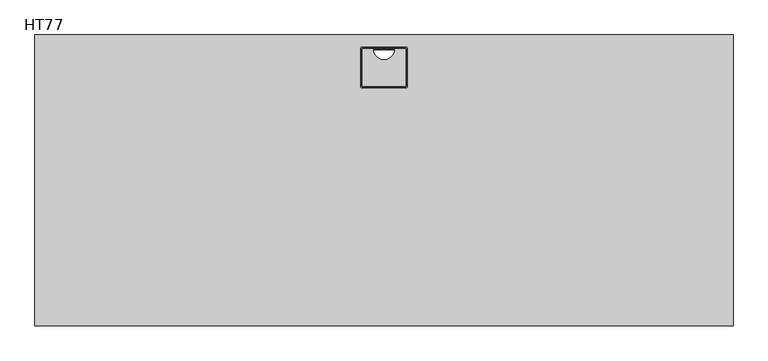
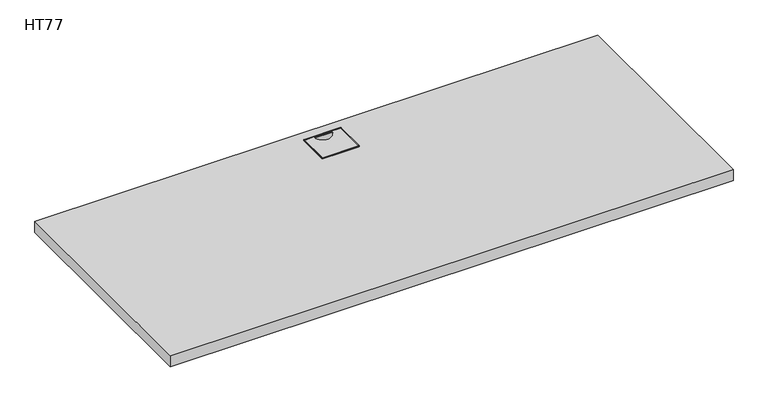
"""IFC4 building model written with IfcOpenShell, lengths in millimetres: furniture geometry, HT77."""

from ifc_helpers import new_model, si_unit, point, frame, frame_2d, origin, place, context, project, spatial, polyline, circle_curve, trimmed, segment, composite_curve, outline, extrude, source, transform, mapped, element, save


def ht77_d897f244(model_context):
    return source(origin(), model_context, "Body", "SweptSolid", [
        extrude(outline(composite_curve([segment(trimmed(circle_curve(frame_2d((-36.5, 225.5)), 1.0), [point((-37.5, 225.5))], [point((-36.5, 226.5))], False, "CARTESIAN"), True, "CONTINUOUS"), segment(polyline([(-36.5, 226.5), (-19.7951994, 226.5)]), True, "CONTINUOUS"), segment(trimmed(circle_curve(frame_2d((-19.7951994, 225.5)), 1.0), [point((-19.7951994, 226.5))], [point((-18.7959465, 225.5386484))], False, "CARTESIAN"), True, "CONTINUOUS"), segment(trimmed(circle_curve(frame_2d((0.0, 226.265625)), 18.81), [point((-18.7959465, 225.5386484))], [point((18.7959465, 225.5386484))], True, "CARTESIAN"), True, "CONTINUOUS"), segment(trimmed(circle_curve(frame_2d((19.7951994, 225.5)), 1.0), [point((18.7959465, 225.5386484))], [point((19.7951994, 226.5))], False, "CARTESIAN"), True, "CONTINUOUS"), segment(polyline([(19.7951994, 226.5), (36.5, 226.5)]), True, "CONTINUOUS"), segment(trimmed(circle_curve(frame_2d((36.5, 225.5)), 1.0), [point((36.5, 226.5))], [point((37.5, 225.5))], False, "CARTESIAN"), True, "CONTINUOUS"), segment(polyline([(37.5, 225.5), (37.5, 162.5)]), True, "CONTINUOUS"), segment(trimmed(circle_curve(frame_2d((36.5, 162.5)), 1.0), [point((37.5, 162.5))], [point((36.5, 161.5))], False, "CARTESIAN"), True, "CONTINUOUS"), segment(polyline([(36.5, 161.5), (-36.5, 161.5)]), True, "CONTINUOUS"), segment(trimmed(circle_curve(frame_2d((-36.5, 162.5)), 1.0), [point((-36.5, 161.5))], [point((-37.5, 162.5))], False, "CARTESIAN"), True, "CONTINUOUS"), segment(polyline([(-37.5, 162.5), (-37.5, 225.5)]), True, "CONTINUOUS")], self_intersect=False)), frame((0.0, 0.0, 725.0), z_axis=(0.0, 0.0, 1.0), x_axis=(1.0, 0.0, 0.0)), (0.0, 0.0, 1.0), 1.0),
        extrude(outline(polyline([(-39.0, 228.0), (39.0, 228.0), (39.0, 160.0), (-39.0, 160.0), (-39.0, 228.0)]), holes=[polyline([(38.0, 227.0), (-38.0, 227.0), (-38.0, 161.0), (38.0, 161.0), (38.0, 227.0)])]), frame((0.0, 0.0, 700.0), z_axis=(0.0, 0.0, 1.0), x_axis=(1.0, 0.0, 0.0)), (0.0, 0.0, 1.0), 24.0),
        extrude(outline(polyline([(38.0, 227.0), (38.0, 161.0), (-38.0, 161.0), (-38.0, 227.0), (38.0, 227.0)]), holes=[polyline([(-36.5, 225.5), (-36.5, 162.5), (36.5, 162.5), (36.5, 225.5), (-36.5, 225.5)])]), frame((0.0, 0.0, 724.0), z_axis=(0.0, 0.0, 1.0), x_axis=(1.0, 0.0, 0.0)), (0.0, 0.0, 1.0), 1.0),
        extrude(outline(composite_curve([segment(trimmed(circle_curve(frame_2d((38.0, 227.0)), 2.0), [point((38.0, 229.0))], [point((40.0, 227.0))], False, "CARTESIAN"), True, "CONTINUOUS"), segment(polyline([(40.0, 227.0), (40.0, 161.0)]), True, "CONTINUOUS"), segment(trimmed(circle_curve(frame_2d((38.0, 161.0)), 2.0), [point((40.0, 161.0))], [point((38.0, 159.0))], False, "CARTESIAN"), True, "CONTINUOUS"), segment(polyline([(38.0, 159.0), (-38.0, 159.0)]), True, "CONTINUOUS"), segment(trimmed(circle_curve(frame_2d((-38.0, 161.0)), 2.0), [point((-38.0, 159.0))], [point((-40.0, 161.0))], False, "CARTESIAN"), True, "CONTINUOUS"), segment(polyline([(-40.0, 161.0), (-40.0, 227.0)]), True, "CONTINUOUS"), segment(trimmed(circle_curve(frame_2d((-38.0, 227.0)), 2.0), [point((-40.0, 227.0))], [point((-38.0, 229.0))], False, "CARTESIAN"), True, "CONTINUOUS"), segment(polyline([(-38.0, 229.0), (38.0, 229.0)]), True, "CONTINUOUS")], self_intersect=False), holes=[composite_curve([segment(polyline([(-38.0, 226.0), (-38.0, 162.0)]), True, "CONTINUOUS"), segment(trimmed(circle_curve(frame_2d((-37.0, 162.0)), 1.0), [point((-38.0, 162.0))], [point((-37.0, 161.0))], True, "CARTESIAN"), True, "CONTINUOUS"), segment(polyline([(-37.0, 161.0), (37.0, 161.0)]), True, "CONTINUOUS"), segment(trimmed(circle_curve(frame_2d((37.0, 162.0)), 1.0), [point((37.0, 161.0))], [point((38.0, 162.0))], True, "CARTESIAN"), True, "CONTINUOUS"), segment(polyline([(38.0, 162.0), (38.0, 226.0)]), True, "CONTINUOUS"), segment(trimmed(circle_curve(frame_2d((37.0, 226.0)), 1.0), [point((38.0, 226.0))], [point((37.0, 227.0))], True, "CARTESIAN"), True, "CONTINUOUS"), segment(polyline([(37.0, 227.0), (-37.0, 227.0)]), True, "CONTINUOUS"), segment(trimmed(circle_curve(frame_2d((-37.0, 226.0)), 1.0), [point((-37.0, 227.0))], [point((-38.0, 226.0))], True, "CARTESIAN"), True, "CONTINUOUS")], self_intersect=False)]), frame((0.0, 0.0, 725.0), z_axis=(0.0, 0.0, 1.0), x_axis=(1.0, 0.0, 0.0)), (0.0, 0.0, 1.0), 1.0),
        extrude(outline(polyline([(600.0, 250.0), (600.0, -250.0), (-600.0, -250.0), (-600.0, 250.0), (600.0, 250.0)]), holes=[polyline([(35.0, 224.0), (-35.0, 224.0), (-35.0, 164.0), (35.0, 164.0), (35.0, 224.0)])]), frame((0.0, 0.0, 700.0), z_axis=(0.0, 0.0, 1.0), x_axis=(1.0, 0.0, 0.0)), (0.0, 0.0, 1.0), 25.0),
    ])


if __name__ == "__main__":
    model = new_model("IFC4")
    model_context = context("Model", 3, world=origin())
    ifc_project = project(units=[si_unit("LENGTHUNIT", "METRE", prefix="MILLI")], contexts=[model_context])
    site = spatial("IfcSite", under=ifc_project)
    building = spatial("IfcBuilding", under=site)
    placement = place(None, origin())
    ht77_shape = ht77_d897f244(model_context)
    element("IfcFurniture", 1, ObjectType="HT77", at=placement, inside=building, context=model_context, shape_type="MappedRepresentation", body=[
        mapped(ht77_shape, transform((0.0, 0.0, 0.0), x_axis=(1.0, 0.0, 0.0), y_axis=(0.0, 1.0, 0.0), z_axis=(0.0, 0.0, 1.0))),
    ])
    save(model, "model.ifc")
